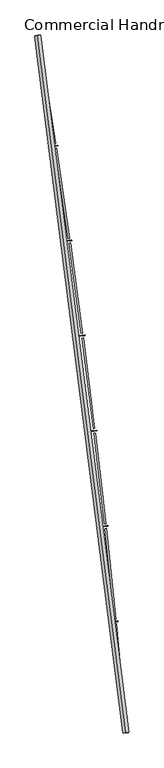
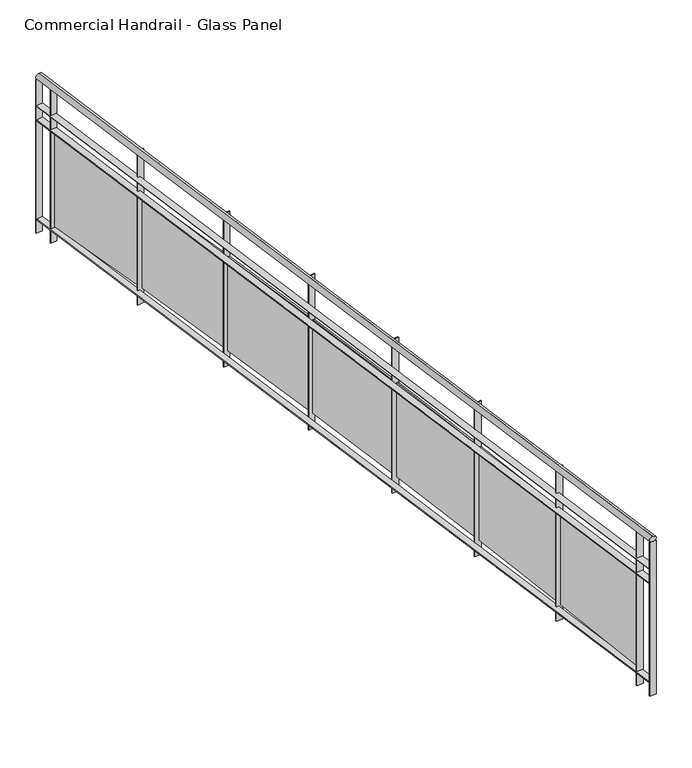
"""IFC4 building model written with IfcOpenShell, lengths in millimetres: railing geometry, Commercial Handrail - Glass Panel."""

import ifcopenshell
import ifcopenshell.guid

model = None  # the IFC model being written
_history = None  # IfcOwnerHistory: only IFC2X3 demands one
_inside = {}  # id of a spatial element -> (the spatial element, [elements in it])
_under = {}  # id of a project, library or spatial element -> (it, [spatial elements below it])
_declared = {}  # id of a project -> (the project, [libraries it declares])
_typed = {}  # id of a type object -> (the type object, [elements of that type])
_made_of = {}  # id of a material, layer set ... -> (it, [elements and type objects made of it])


def new_model(schema):
    """Start an empty IFC model of exactly this schema.

    Asked for "IFC4X3", IfcOpenShell would pick the latest addendum, in which some entities
    have other attributes; the version numbers below select the first issue.
    IFC2X3 requires an IfcOwnerHistory on every rooted entity: one is made here for all.
    """
    global model, _history
    if schema == "IFC4X3":
        model = ifcopenshell.file(schema_version=(4, 3, 0, 0))
    else:
        model = ifcopenshell.file(schema=schema)
    _inside.clear()
    _under.clear()
    _declared.clear()
    _typed.clear()
    _made_of.clear()
    _history = None
    if model.schema == "IFC2X3":
        org = make("IfcOrganization", Name="unknown")
        user = make(
            "IfcPersonAndOrganization",
            ThePerson=make("IfcPerson", FamilyName="unknown"),
            TheOrganization=org,
        )
        app = make(
            "IfcApplication",
            ApplicationDeveloper=org,
            Version="unknown",
            ApplicationFullName="unknown",
            ApplicationIdentifier="unknown",
        )
        _history = make(
            "IfcOwnerHistory",
            OwningUser=user,
            OwningApplication=app,
            ChangeAction="ADDED",
            CreationDate=0,
        )
    return model


def make(cls, **values):
    """One entity of the class cls with the attributes given. An attribute that is None is left unset."""
    return model.create_entity(
        cls, **{name: value for name, value in values.items() if value is not None}
    )


def rooted(cls, **values):
    """An entity with a GlobalId (a new one), such as an element, a storey or a relation."""
    return make(cls, GlobalId=ifcopenshell.guid.new(), OwnerHistory=_history, **values)


def si_unit(unit_type, name, prefix=None):
    """IfcSIUnit, for example si_unit("LENGTHUNIT", "METRE", prefix="MILLI")."""
    return make("IfcSIUnit", UnitType=unit_type, Prefix=prefix, Name=name)


def assignment(units):
    """IfcUnitAssignment: the units of a project."""
    return None if units is None else make("IfcUnitAssignment", Units=units)


def point(xyz):
    """IfcCartesianPoint."""
    return None if xyz is None else make("IfcCartesianPoint", Coordinates=xyz)


def direction(xyz):
    """IfcDirection."""
    return None if xyz is None else make("IfcDirection", DirectionRatios=xyz)


def frame(location, z_axis=None, x_axis=None):
    """IfcAxis2Placement3D, a coordinate frame: its origin and axes. An axis left out is left unset."""
    return make(
        "IfcAxis2Placement3D",
        Location=point(location),
        Axis=direction(z_axis),
        RefDirection=direction(x_axis),
    )


def origin():
    """The frame at (0, 0, 0) with its axes left unset."""
    return frame((0.0, 0.0, 0.0))


def place(relative_to, where):
    """IfcLocalPlacement: puts the frame where relative to a parent placement (None: the world)."""
    return make(
        "IfcLocalPlacement", PlacementRelTo=relative_to, RelativePlacement=where
    )


def context(
    kind, dimensions, precision=None, world=None, true_north=None, identifier=None
):
    """IfcGeometricRepresentationContext, for example the 3D "Model" context."""
    return make(
        "IfcGeometricRepresentationContext",
        ContextIdentifier=identifier,
        ContextType=kind,
        CoordinateSpaceDimension=dimensions,
        Precision=precision,
        WorldCoordinateSystem=world,
        TrueNorth=true_north,
    )


def project(units=None, contexts=None):
    """IfcProject with its units and contexts."""
    return rooted(
        "IfcProject",
        Name="project",
        RepresentationContexts=contexts,
        UnitsInContext=assignment(units),
    )


def spatial(cls, under=None, at=None, **own):
    """A site, building, storey or space (cls), placed at a placement, below another one or the project."""
    s = rooted(cls, ObjectPlacement=at, **own)
    if under is not None:
        _under.setdefault(under.id(), (under, []))[1].append(s)
    return s


def polyline(points):
    """IfcPolyline through the points."""
    return make("IfcPolyline", Points=[point(p) for p in points])


def circle_curve(where, radius):
    """IfcCircle in the frame where."""
    return make("IfcCircle", Position=where, Radius=radius)


def ellipse_curve(where, semi_axis1, semi_axis2):
    """IfcEllipse in the frame where."""
    return make(
        "IfcEllipse", Position=where, SemiAxis1=semi_axis1, SemiAxis2=semi_axis2
    )


def trimmed(basis, trim1, trim2, sense, master):
    """IfcTrimmedCurve: the piece of a basis curve between two trims."""
    return make(
        "IfcTrimmedCurve",
        BasisCurve=basis,
        Trim1=trim1,
        Trim2=trim2,
        SenseAgreement=sense,
        MasterRepresentation=master,
    )


def outline(outer, holes=None, kind="AREA"):
    """IfcArbitraryClosedProfileDef: a profile drawn as a closed curve; with holes, ...WithVoids."""
    if holes is None:
        return make("IfcArbitraryClosedProfileDef", ProfileType=kind, OuterCurve=outer)
    return make(
        "IfcArbitraryProfileDefWithVoids",
        ProfileType=kind,
        OuterCurve=outer,
        InnerCurves=holes,
    )


def extrude(swept, where, along, depth):
    """IfcExtrudedAreaSolid: the profile swept, set in the frame where, extruded along a direction by depth."""
    return make(
        "IfcExtrudedAreaSolid",
        SweptArea=swept,
        Position=where,
        ExtrudedDirection=direction(along),
        Depth=depth,
    )


def shape(context_of_items, identifier, shape_type, items):
    """IfcShapeRepresentation: the items that make up one representation, for example the "Body"."""
    return make(
        "IfcShapeRepresentation",
        ContextOfItems=context_of_items,
        RepresentationIdentifier=identifier,
        RepresentationType=shape_type,
        Items=items,
    )


def source(mapping_origin, context_of_items, identifier, shape_type, items):
    """IfcRepresentationMap: a shape defined once, which mapped items show again and again."""
    return make(
        "IfcRepresentationMap",
        MappingOrigin=mapping_origin,
        MappedRepresentation=shape(context_of_items, identifier, shape_type, items),
    )


def transform(
    local_origin,
    x_axis=None,
    y_axis=None,
    z_axis=None,
    scale=None,
    scale2=None,
    scale3=None,
    uniform=True,
):
    """IfcCartesianTransformationOperator3D, or its non-uniform kind. x_axis, y_axis, z_axis: its Axis1, 2, 3."""
    if uniform:
        return make(
            "IfcCartesianTransformationOperator3D",
            Axis1=direction(x_axis),
            Axis2=direction(y_axis),
            LocalOrigin=point(local_origin),
            Scale=scale,
            Axis3=direction(z_axis),
        )
    return make(
        "IfcCartesianTransformationOperator3DnonUniform",
        Axis1=direction(x_axis),
        Axis2=direction(y_axis),
        LocalOrigin=point(local_origin),
        Scale=scale,
        Axis3=direction(z_axis),
        Scale2=scale2,
        Scale3=scale3,
    )


def mapped(mapping_source, mapping_target):
    """IfcMappedItem: shows the shape of a source again, moved by a transform."""
    return make(
        "IfcMappedItem", MappingSource=mapping_source, MappingTarget=mapping_target
    )


def made_of(thing, what):
    """Note that an element or type object is made of a material, layer set ...; save() writes the relation."""
    if what is not None:
        _made_of.setdefault(what.id(), (what, []))[1].append(thing)
    return thing


def element(
    cls,
    number,
    at=None,
    inside=None,
    cuts=None,
    type_object=None,
    material=None,
    context=None,
    identifier="Body",
    shape_type=None,
    held_by="IfcProductDefinitionShape",
    body=None,
    shapes=None,
    **own,
):
    """One element of the class cls, such as IfcWall. Its Tag is "e" and its number.

    at: its placement. inside: the storey or other place that contains it. cuts: it is an
    opening in that element (IfcRelVoidsElement). A single representation is given by context,
    identifier, shape_type and body (its items); several are given by shapes. held_by: the class
    of the entity that holds the representations. save() writes the other relations.
    """
    e = rooted(cls, Tag="e%d" % number, ObjectPlacement=at, **own)
    if body is not None:
        shapes = [shape(context, identifier, shape_type, body)]
    if shapes is not None:
        e.Representation = make(held_by, Representations=shapes)
    if inside is not None:
        _inside.setdefault(inside.id(), (inside, []))[1].append(e)
    if cuts is not None:
        rooted(
            "IfcRelVoidsElement", RelatingBuildingElement=cuts, RelatedOpeningElement=e
        )
    if type_object is not None:
        _typed.setdefault(type_object.id(), (type_object, []))[1].append(e)
    return made_of(e, material)


def aggregate(whole, parts):
    """IfcRelAggregates: a whole, such as a stair, and the parts it consists of."""
    return rooted("IfcRelAggregates", RelatingObject=whole, RelatedObjects=parts)


def save(model, path):
    """Write the relations noted so far, then the file.

    IfcRelAggregates (storeys below a building ...), IfcRelContainedInSpatialStructure (elements
    in a storey), IfcRelDefinesByType, IfcRelAssociatesMaterial and IfcRelDeclares: one each for
    every whole, place, type object, material and project.
    """
    for whole, parts in _under.values():
        aggregate(whole, parts)
    for where, things in _inside.values():
        rooted(
            "IfcRelContainedInSpatialStructure",
            RelatedElements=things,
            RelatingStructure=where,
        )
    for kind, things in _typed.values():
        rooted("IfcRelDefinesByType", RelatedObjects=things, RelatingType=kind)
    for what, things in _made_of.values():
        rooted("IfcRelAssociatesMaterial", RelatedObjects=things, RelatingMaterial=what)
    for by, libraries in _declared.values():
        rooted("IfcRelDeclares", RelatingContext=by, RelatedDefinitions=libraries)
    model.write(path)


def plane_surface(at):
    """IfcPlane: the flat surface through the origin of the frame at, square to its z axis."""
    return make("IfcPlane", Position=at)


def cylinder_surface(at, radius):
    """IfcCylindricalSurface: all points at the distance radius from the z axis of the frame at."""
    return make("IfcCylindricalSurface", Position=at, Radius=radius)


def revolved_surface(curve, axis_point, axis_direction):
    """IfcSurfaceOfRevolution: the curve turned about the line through axis_point along axis_direction."""
    return make(
        "IfcSurfaceOfRevolution",
        SweptCurve=make("IfcArbitraryOpenProfileDef", ProfileType="CURVE", Curve=curve),
        AxisPosition=make("IfcAxis1Placement", Location=point(axis_point), Axis=direction(axis_direction)),
    )


def advanced_brep(points, edges, surfaces, faces):
    """IfcAdvancedBrep: a solid bounded by faces that lie on surfaces and meet in shared edges.

    An edge is (start, end): straight between two places in points (the first is 0);
    or (start, end, curve); or (start, end, curve, False) where it runs against its curve.
    A face is (place in surfaces, loops), or (place, loops, False) where it looks against
    its surface's normal. A loop lists edges by number (the first is 1), with a minus sign
    where the edge is run from its end to its start. The first loop is the outer one.
    """
    corners = [point(p) for p in points]
    vertices = [make("IfcVertexPoint", VertexGeometry=c) for c in corners]
    made = []
    for start, end, *more in edges:
        made.append(
            make(
                "IfcEdgeCurve",
                EdgeStart=vertices[start],
                EdgeEnd=vertices[end],
                EdgeGeometry=more[0] if more else make("IfcPolyline", Points=[corners[start], corners[end]]),
                SameSense=more[1] if len(more) > 1 else True,
            )
        )
    hull = []
    for where, loops, *sense in faces:
        bounds = []
        for j, loop in enumerate(loops):
            ring = [make("IfcOrientedEdge", EdgeElement=made[abs(k) - 1], Orientation=k > 0) for k in loop]
            bounds.append(
                make(
                    "IfcFaceOuterBound" if j == 0 else "IfcFaceBound",
                    Bound=make("IfcEdgeLoop", EdgeList=ring),
                    Orientation=True,
                )
            )
        hull.append(make("IfcAdvancedFace", Bounds=bounds, FaceSurface=surfaces[where], SameSense=sense[0] if sense else True))
    return make("IfcAdvancedBrep", Outer=make("IfcClosedShell", CfsFaces=hull))


def commercial_handrail_glass_panel_10f9394f(model_context):
    return source(origin(), model_context, "Body", "SolidModel", [
        advanced_brep(
        [(182571.9295754, -52879.5364282, 16282.5), (181834.8110467, -47067.1917957, 16282.5), (181834.8110467, -47067.1917957, 16317.5), (182571.9295754, -52879.5364282, 16317.5)],
        [
            (0, 1, circle_curve(frame((104368.4569212, -59844.3474174, 16282.5), z_axis=(0.0, 0.0, 1.0), x_axis=(0.9866690945138685, 0.16273935581531185, 0.0)), 78513.0035554)),
            (1, 2, ellipse_curve(frame((181834.8110467, -47067.1917957, 16300.0), z_axis=(0.16273935581530558, -0.9866690945138697, 0.0), x_axis=(-0.9866690945138695, -0.16273935581530555, 0.0)), 25.0, 17.5)),
            (2, 3, circle_curve(frame((104368.4569212, -59844.3474174, 16317.5), z_axis=(0.0, 0.0, -1.0), x_axis=(0.9866690945138685, 0.16273935581531185, 0.0)), 78513.0035554)),
            (3, 0, ellipse_curve(frame((182571.9295754, -52879.5364282, 16300.0), z_axis=(-0.08870901218759285, 0.9960575842574071, 0.0), x_axis=(-0.9960575842574071, -0.08870901218759285, 0.0)), 25.0, 17.5)),
            (2, 1, ellipse_curve(frame((181834.8110467, -47067.1917957, 16300.0), z_axis=(0.16273935581530558, -0.9866690945138697, 0.0), x_axis=(-0.9866690945138695, -0.16273935581530555, 0.0)), 25.0, 17.5)),
            (0, 3, ellipse_curve(frame((182571.9295754, -52879.5364282, 16300.0), z_axis=(-0.08870901218759285, 0.9960575842574071, 0.0), x_axis=(-0.9960575842574071, -0.08870901218759285, 0.0)), 25.0, 17.5)),
        ],
        [
            revolved_surface(trimmed(ellipse_curve(frame((181834.8110467, -47067.1917957, 16300.0), z_axis=(-0.16273935581531185, 0.9866690945138685, 0.0), x_axis=(0.0, 0.0, -1.0)), 17.5, 25.0), [point((181834.8110467, -47067.1917957, 16317.5))], [point((181834.8110467, -47067.1917957, 16282.5))], True, "CARTESIAN"), (104368.4569212, -59844.3474174, 16300.0), (0.0, 0.0, -1.0)),
            revolved_surface(trimmed(ellipse_curve(frame((181834.8110467, -47067.1917957, 16300.0), z_axis=(-0.16273935581531185, 0.9866690945138685, 0.0), x_axis=(0.0, 0.0, -1.0)), 17.5, 25.0), [point((181834.8110467, -47067.1917957, 16282.5))], [point((181834.8110467, -47067.1917957, 16317.5))], True, "CARTESIAN"), (104368.4569212, -59844.3474174, 16300.0), (0.0, 0.0, -1.0)),
            plane_surface(frame((181834.8110467, -47067.1917957, 16300.0), z_axis=(-0.16273935581531188, 0.9866690945138686, 0.0), x_axis=(0.9866690945138686, 0.16273935581531188, 0.0))),
            plane_surface(frame((182571.9295754, -52879.5364282, 16300.0), z_axis=(0.08870901218759289, -0.9960575842574071, 0.0), x_axis=(0.9960575842574071, 0.08870901218759289, 0.0))),
        ],
        [
            (0, [[1, 2, 3, 4]]),
            (1, [[-3, 5, -1, 6]]),
            (2, [[-2, -5]]),
            (3, [[-6, -4]]),
        ],
    ),
        advanced_brep(
        [(182594.340871, -52877.5404754, 16100.0), (181857.0111014, -47063.5301602, 16100.0), (181812.6109921, -47070.8534312, 16100.0), (182549.5182797, -52881.5323809, 16100.0), (182594.340871, -52877.5404754, 16094.0), (181857.0111014, -47063.5301602, 16094.0), (182549.5182797, -52881.5323809, 16094.0), (181812.6109921, -47070.8534312, 16094.0)],
        [
            (0, 1, circle_curve(frame((104368.4569212, -59844.3474174, 16100.0), z_axis=(0.0, 0.0, 1.0), x_axis=(0.9866690945138685, 0.16273935581531185, 0.0)), 78535.5035554)),
            (1, 2),
            (2, 3, circle_curve(frame((104368.4569212, -59844.3474174, 16100.0), z_axis=(0.0, 0.0, -1.0), x_axis=(0.9866690945138685, 0.16273935581531185, 0.0)), 78490.5035554)),
            (3, 0),
            (4, 5, circle_curve(frame((104368.4569212, -59844.3474174, 16094.0), z_axis=(0.0, 0.0, 1.0), x_axis=(0.9866690945138685, 0.16273935581531185, 0.0)), 78535.5035554)),
            (5, 1),
            (0, 4),
            (6, 7, circle_curve(frame((104368.4569212, -59844.3474174, 16094.0), z_axis=(0.0, 0.0, 1.0), x_axis=(0.9866690945138685, 0.16273935581531185, 0.0)), 78490.5035554)),
            (7, 5),
            (4, 6),
            (2, 7),
            (6, 3),
        ],
        [
            plane_surface(frame((104368.4569212, -59844.3474174, 16100.0), z_axis=(0.0, 0.0, 1.0000000000000002), x_axis=(0.9866690945138686, 0.16273935581531188, 0.0))),
            cylinder_surface(frame((104368.4569212, -59844.3474174, 16100.0), z_axis=(0.0, 0.0, -1.0), x_axis=(0.9866690945138685, 0.16273935581531185, 0.0)), 78535.5035554),
            plane_surface(frame((104368.4569212, -59844.3474174, 16094.0), z_axis=(0.0, 0.0, -1.0000000000000002), x_axis=(0.9866690945138686, 0.16273935581531188, 0.0))),
            revolved_surface(polyline([(181812.6109921441, -47070.85343117476, 16094.0), (181812.6109921441, -47070.85343117476, 16100.0)]), (104368.4569212, -59844.3474174, 16100.0), (0.0, 0.0, -1.0)),
            plane_surface(frame((181834.8110467, -47067.1917957, 16100.0), z_axis=(-0.16273935581531188, 0.9866690945138686, 0.0), x_axis=(0.9866690945138686, 0.16273935581531188, 0.0))),
            plane_surface(frame((182571.9295754, -52879.5364282, 16100.0), z_axis=(0.08870901218759289, -0.9960575842574071, 0.0), x_axis=(0.9960575842574071, 0.08870901218759289, 0.0))),
        ],
        [
            (0, [[1, 2, 3, 4]]),
            (1, [[5, 6, -1, 7]]),
            (2, [[8, 9, -5, 10]]),
            (3, [[-3, 11, -8, 12]]),
            (4, [[-2, -6, -9, -11]]),
            (5, [[-12, -10, -7, -4]]),
        ],
    ),
        advanced_brep(
        [(182594.340871, -52877.5404754, 16000.0), (181857.0111014, -47063.5301602, 16000.0), (181812.6109921, -47070.8534312, 16000.0), (182549.5182797, -52881.5323809, 16000.0), (182594.340871, -52877.5404754, 15994.0), (181857.0111014, -47063.5301602, 15994.0), (182549.5182797, -52881.5323809, 15994.0), (181812.6109921, -47070.8534312, 15994.0)],
        [
            (0, 1, circle_curve(frame((104368.4569212, -59844.3474174, 16000.0), z_axis=(0.0, 0.0, 1.0), x_axis=(0.9866690945138685, 0.16273935581531185, 0.0)), 78535.5035554)),
            (1, 2),
            (2, 3, circle_curve(frame((104368.4569212, -59844.3474174, 16000.0), z_axis=(0.0, 0.0, -1.0), x_axis=(0.9866690945138685, 0.16273935581531185, 0.0)), 78490.5035554)),
            (3, 0),
            (4, 5, circle_curve(frame((104368.4569212, -59844.3474174, 15994.0), z_axis=(0.0, 0.0, 1.0), x_axis=(0.9866690945138685, 0.16273935581531185, 0.0)), 78535.5035554)),
            (5, 1),
            (0, 4),
            (6, 7, circle_curve(frame((104368.4569212, -59844.3474174, 15994.0), z_axis=(0.0, 0.0, 1.0), x_axis=(0.9866690945138685, 0.16273935581531185, 0.0)), 78490.5035554)),
            (7, 5),
            (4, 6),
            (2, 7),
            (6, 3),
        ],
        [
            plane_surface(frame((104368.4569212, -59844.3474174, 16000.0), z_axis=(0.0, 0.0, 1.0000000000000002), x_axis=(0.9866690945138686, 0.16273935581531188, 0.0))),
            cylinder_surface(frame((104368.4569212, -59844.3474174, 16000.0), z_axis=(0.0, 0.0, -1.0), x_axis=(0.9866690945138685, 0.16273935581531185, 0.0)), 78535.5035554),
            plane_surface(frame((104368.4569212, -59844.3474174, 15994.0), z_axis=(0.0, 0.0, -1.0000000000000002), x_axis=(0.9866690945138686, 0.16273935581531188, 0.0))),
            revolved_surface(polyline([(181812.6109921441, -47070.85343117476, 15994.0), (181812.6109921441, -47070.85343117476, 16000.0)]), (104368.4569212, -59844.3474174, 16000.0), (0.0, 0.0, -1.0)),
            plane_surface(frame((181834.8110467, -47067.1917957, 16000.0), z_axis=(-0.16273935581531188, 0.9866690945138686, 0.0), x_axis=(0.9866690945138686, 0.16273935581531188, 0.0))),
            plane_surface(frame((182571.9295754, -52879.5364282, 16000.0), z_axis=(0.08870901218759289, -0.9960575842574071, 0.0), x_axis=(0.9960575842574071, 0.08870901218759289, 0.0))),
        ],
        [
            (0, [[1, 2, 3, 4]]),
            (1, [[5, 6, -1, 7]]),
            (2, [[8, 9, -5, 10]]),
            (3, [[-3, 11, -8, 12]]),
            (4, [[-2, -6, -9, -11]]),
            (5, [[-12, -10, -7, -4]]),
        ],
    ),
        advanced_brep(
        [(182594.340871, -52877.5404754, 15300.0), (181857.0111014, -47063.5301602, 15300.0), (181812.6109921, -47070.8534312, 15300.0), (182549.5182797, -52881.5323809, 15300.0), (182594.340871, -52877.5404754, 15294.0), (181857.0111014, -47063.5301602, 15294.0), (182549.5182797, -52881.5323809, 15294.0), (181812.6109921, -47070.8534312, 15294.0)],
        [
            (0, 1, circle_curve(frame((104368.4569212, -59844.3474174, 15300.0), z_axis=(0.0, 0.0, 1.0), x_axis=(0.9866690945138685, 0.16273935581531185, 0.0)), 78535.5035554)),
            (1, 2),
            (2, 3, circle_curve(frame((104368.4569212, -59844.3474174, 15300.0), z_axis=(0.0, 0.0, -1.0), x_axis=(0.9866690945138685, 0.16273935581531185, 0.0)), 78490.5035554)),
            (3, 0),
            (4, 5, circle_curve(frame((104368.4569212, -59844.3474174, 15294.0), z_axis=(0.0, 0.0, 1.0), x_axis=(0.9866690945138685, 0.16273935581531185, 0.0)), 78535.5035554)),
            (5, 1),
            (0, 4),
            (6, 7, circle_curve(frame((104368.4569212, -59844.3474174, 15294.0), z_axis=(0.0, 0.0, 1.0), x_axis=(0.9866690945138685, 0.16273935581531185, 0.0)), 78490.5035554)),
            (7, 5),
            (4, 6),
            (2, 7),
            (6, 3),
        ],
        [
            plane_surface(frame((104368.4569212, -59844.3474174, 15300.0), z_axis=(0.0, 0.0, 1.0000000000000002), x_axis=(0.9866690945138686, 0.16273935581531188, 0.0))),
            cylinder_surface(frame((104368.4569212, -59844.3474174, 15300.0), z_axis=(0.0, 0.0, -1.0), x_axis=(0.9866690945138685, 0.16273935581531185, 0.0)), 78535.5035554),
            plane_surface(frame((104368.4569212, -59844.3474174, 15294.0), z_axis=(0.0, 0.0, -1.0000000000000002), x_axis=(0.9866690945138686, 0.16273935581531188, 0.0))),
            revolved_surface(polyline([(181812.6109921441, -47070.85343117476, 15294.0), (181812.6109921441, -47070.85343117476, 15300.0)]), (104368.4569212, -59844.3474174, 15300.0), (0.0, 0.0, -1.0)),
            plane_surface(frame((181834.8110467, -47067.1917957, 15300.0), z_axis=(-0.16273935581531188, 0.9866690945138686, 0.0), x_axis=(0.9866690945138686, 0.16273935581531188, 0.0))),
            plane_surface(frame((182571.9295754, -52879.5364282, 15300.0), z_axis=(0.08870901218759289, -0.9960575842574071, 0.0), x_axis=(0.9960575842574071, 0.08870901218759289, 0.0))),
        ],
        [
            (0, [[1, 2, 3, 4]]),
            (1, [[5, 6, -1, 7]]),
            (2, [[8, 9, -5, 10]]),
            (3, [[-3, 11, -8, 12]]),
            (4, [[-2, -6, -9, -11]]),
            (5, [[-12, -10, -7, -4]]),
        ],
    ),
        extrude(outline(polyline([(182537.5994721, -52748.9749653), (182582.4153855, -52744.9087751), (182582.9575442, -52750.8842302), (182538.1416308, -52754.9504204), (182537.5994721, -52748.9749653)])), frame((0.0, 0.0, 15200.0), z_axis=(0.0, 0.0, 1.0), x_axis=(1.0, 0.0, 0.0)), (0.0, 0.0, 1.0), 1082.1192282),
        extrude(outline(polyline([(182492.8282703, -51972.8214769), (182565.3569267, -52729.3527677), (182553.4116957, -52730.497957), (182480.8830394, -51973.9666662), (182492.8282703, -51972.8214769)])), frame((0.0, 0.0, 15320.0), z_axis=(0.0, 0.0, 1.0), x_axis=(1.0, 0.0, 0.0)), (0.0, 0.0, 1.0), 660.0),
        extrude(outline(polyline([(182461.2452987, -51952.8608143), (182506.0174543, -51948.3381961), (182506.6204701, -51954.3078168), (182461.8483144, -51958.830435), (182461.2452987, -51952.8608143)])), frame((0.0, 0.0, 15200.0), z_axis=(0.0, 0.0, 1.0), x_axis=(1.0, 0.0, 0.0)), (0.0, 0.0, 1.0), 1082.1192282),
        extrude(outline(polyline([(182408.5680235, -51177.2038007), (182488.8013774, -51932.9568086), (182476.8684352, -51934.223651), (182396.6350812, -51178.4706431), (182408.5680235, -51177.2038007)])), frame((0.0, 0.0, 15320.0), z_axis=(0.0, 0.0, 1.0), x_axis=(1.0, 0.0, 0.0)), (0.0, 0.0, 1.0), 660.0),
        extrude(outline(polyline([(182376.7833078, -51157.5659801), (182421.5070573, -51152.5874034), (182422.1708676, -51158.55057), (182377.447118, -51163.5291467), (182376.7833078, -51157.5659801)])), frame((0.0, 0.0, 15200.0), z_axis=(0.0, 0.0, 1.0), x_axis=(1.0, 0.0, 0.0)), (0.0, 0.0, 1.0), 1082.1192282),
        extrude(outline(polyline([(182316.2054283, -50382.4859723), (182404.1351498, -51137.3822327), (182392.2157352, -51138.7705968), (182304.2860136, -50383.8743363), (182316.2054283, -50382.4859723)])), frame((0.0, 0.0, 15320.0), z_axis=(0.0, 0.0, 1.0), x_axis=(1.0, 0.0, 0.0)), (0.0, 0.0, 1.0), 660.0),
        extrude(outline(polyline([(182284.2222685, -50363.1730325), (182328.8929686, -50357.7390141), (182329.6175044, -50363.6951075), (182284.9468043, -50369.1291258), (182284.2222685, -50363.1730325)])), frame((0.0, 0.0, 15200.0), z_axis=(0.0, 0.0, 1.0), x_axis=(1.0, 0.0, 0.0)), (0.0, 0.0, 1.0), 1082.1192282),
        extrude(outline(polyline([(182215.750074, -49588.7505014), (182311.3670341, -50342.711639), (182299.4623845, -50344.2213805), (182203.8454245, -49590.2602429), (182215.750074, -49588.7505014)])), frame((0.0, 0.0, 15320.0), z_axis=(0.0, 0.0, 1.0), x_axis=(1.0, 0.0, 0.0)), (0.0, 0.0, 1.0), 660.0),
        extrude(outline(polyline([(182183.5717908, -49569.7644476), (182228.1848036, -49563.8755518), (182228.9699897, -49569.8239535), (182184.3569769, -49575.7128493), (182183.5717908, -49569.7644476)])), frame((0.0, 0.0, 15200.0), z_axis=(0.0, 0.0, 1.0), x_axis=(1.0, 0.0, 0.0)), (0.0, 0.0, 1.0), 1082.1192282),
        extrude(outline(polyline([(182107.2123904, -48796.0797961), (182210.5066616, -49549.0275324), (182198.6180132, -49550.6584945), (182095.3237419, -48797.7107583), (182107.2123904, -48796.0797961)])), frame((0.0, 0.0, 15320.0), z_axis=(0.0, 0.0, 1.0), x_axis=(1.0, 0.0, 0.0)), (0.0, 0.0, 1.0), 660.0),
        extrude(outline(polyline([(182074.8423245, -48777.4225994), (182119.3930181, -48771.0794376), (182120.238773, -48777.0195301), (182075.6880794, -48783.3626919), (182074.8423245, -48777.4225994)])), frame((0.0, 0.0, 15200.0), z_axis=(0.0, 0.0, 1.0), x_axis=(1.0, 0.0, 0.0)), (0.0, 0.0, 1.0), 1082.1192282),
        extrude(outline(polyline([(181990.6036459, -48004.5561536), (182101.5645041, -48756.4123154), (182089.6930911, -48758.1643289), (181978.7322329, -48006.3081672), (181990.6036459, -48004.5561536)])), frame((0.0, 0.0, 15320.0), z_axis=(0.0, 0.0, 1.0), x_axis=(1.0, 0.0, 0.0)), (0.0, 0.0, 1.0), 660.0),
        extrude(outline(polyline([(181958.0451582, -47986.2297512), (182002.5289072, -47979.4329819), (182003.4351431, -47985.3641484), (181958.9513941, -47992.1609177), (181958.0451582, -47986.2297512)])), frame((0.0, 0.0, 15200.0), z_axis=(0.0, 0.0, 1.0), x_axis=(1.0, 0.0, 0.0)), (0.0, 0.0, 1.0), 1082.1192282),
        extrude(outline(polyline([(181865.9359474, -47214.2617523), (181984.5518723, -47964.9482797), (181972.6989271, -47966.8211627), (181854.0830022, -47216.1346353), (181865.9359474, -47214.2617523)])), frame((0.0, 0.0, 15320.0), z_axis=(0.0, 0.0, 1.0), x_axis=(1.0, 0.0, 0.0)), (0.0, 0.0, 1.0), 660.0),
        extrude(outline(polyline([(181833.1924181, -47196.2680467), (181877.6046042, -47189.0183756), (181878.571227, -47194.9400004), (181834.1590409, -47202.1896715), (181833.1924181, -47196.2680467)])), frame((0.0, 0.0, 15200.0), z_axis=(0.0, 0.0, 1.0), x_axis=(1.0, 0.0, 0.0)), (0.0, 0.0, 1.0), 1082.1192282),
        extrude(outline(polyline([(182549.2521527, -52878.5442082), (182594.074744, -52874.5523026), (182594.606998, -52880.5286481), (182549.7844067, -52884.5205537), (182549.2521527, -52878.5442082)])), frame((0.0, 0.0, 15200.0), z_axis=(0.0, 0.0, 1.0), x_axis=(1.0, 0.0, 0.0)), (0.0, 0.0, 1.0), 1082.1192282),
        extrude(outline(polyline([(181812.122774, -47067.8934239), (181856.5228833, -47060.5701529), (181857.4993194, -47066.4901675), (181813.0992102, -47073.8134385), (181812.122774, -47067.8934239)])), frame((0.0, 0.0, 15200.0), z_axis=(0.0, 0.0, 1.0), x_axis=(1.0, 0.0, 0.0)), (0.0, 0.0, 1.0), 1082.1192282),
    ])


if __name__ == "__main__":
    model = new_model("IFC4")
    model_context = context("Model", 3, world=origin())
    ifc_project = project(units=[si_unit("LENGTHUNIT", "METRE", prefix="MILLI")], contexts=[model_context])
    site = spatial("IfcSite", under=ifc_project)
    building = spatial("IfcBuilding", under=site)
    placement = place(None, origin())
    commercial_handrail_glass_panel_shape = commercial_handrail_glass_panel_10f9394f(model_context)
    element("IfcRailing", 1, ObjectType="Commercial Handrail - Glass Panel", at=placement, inside=building, context=model_context, shape_type="MappedRepresentation", body=[
        mapped(commercial_handrail_glass_panel_shape, transform((0.0, 0.0, 0.0), x_axis=(1.0, 0.0, 0.0), y_axis=(0.0, 1.0, 0.0), z_axis=(0.0, 0.0, 1.0))),
    ])
    save(model, "model.ifc")
